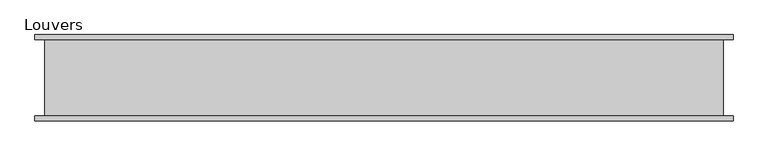
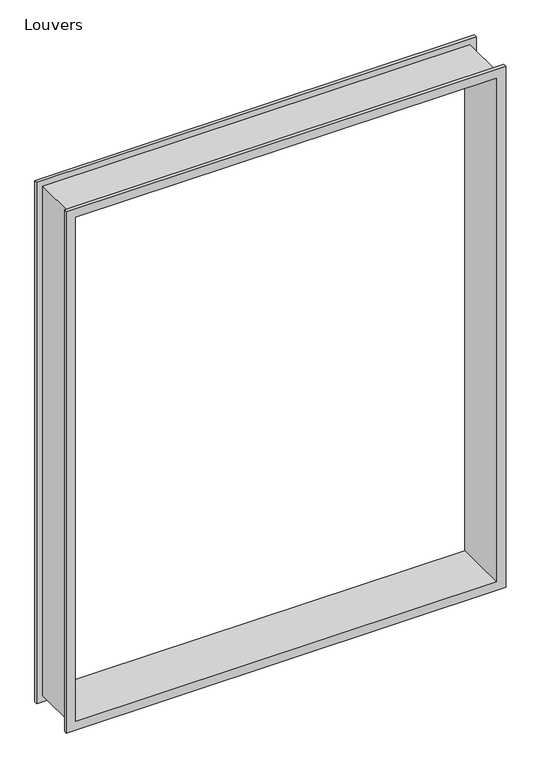
"""IFC4 building model written with IfcOpenShell, lengths in millimetres: proxy geometry, Louvers."""

from ifc_helpers import new_model, si_unit, origin, place, context, project, spatial, faceted_brep, source, transform, mapped, element, save


def louvers_1cde715f(model_context):
    return source(origin(), model_context, "Body", "Brep", [
        faceted_brep([(1057.6893929, -7.7140625, -0.0006), (1057.6893929, 8.7859375, -0.0006), (1057.6893929, 8.7859375, 3047.9944), (1057.6893929, -7.7140625, 3047.9944), (1005.5933929, 292.2859375, 52.0954), (1005.5933929, -7.7140625, 52.0954), (1005.5933929, -7.7140625, 2995.8984), (1005.5933929, 292.2859375, 2995.8984), (1057.6893929, 275.7859375, -0.0006), (1057.6893929, 292.2859375, -0.0006), (1057.6893929, 292.2859375, 3047.9944), (1057.6893929, 275.7859375, 3047.9944), (1022.5933929, 8.7859375, 35.0954), (1022.5933929, 275.7859375, 35.0954), (1022.5933929, 275.7859375, 3012.8984), (1022.5933929, 8.7859375, 3012.8984), (-1374.8550071, 8.7859375, 3047.9944), (-1374.8550071, -7.7140625, 3047.9944), (-1322.7590071, -7.7140625, 2995.8984), (-1322.7590071, 292.2859375, 2995.8984), (-1374.8550071, 292.2859375, 3047.9944), (-1374.8550071, 275.7859375, 3047.9944), (-1339.7590071, 275.7859375, 3012.8984), (-1339.7590071, 8.7859375, 3012.8984), (-1374.8550071, 8.7859375, -0.0006), (-1374.8550071, -7.7140625, -0.0006), (-1322.7590071, -7.7140625, 52.0954), (-1322.7590071, 292.2859375, 52.0954), (-1374.8550071, 292.2859375, -0.0006), (-1374.8550071, 275.7859375, -0.0006), (-1339.7590071, 275.7859375, 35.0954), (-1339.7590071, 8.7859375, 35.0954)], [[[0, 1, 2, 3]], [[4, 5, 6, 7]], [[8, 9, 10, 11]], [[12, 13, 14, 15]], [[3, 2, 16, 17]], [[7, 6, 18, 19]], [[11, 10, 20, 21]], [[15, 14, 22, 23]], [[17, 16, 24, 25]], [[19, 18, 26, 27]], [[21, 20, 28, 29]], [[23, 22, 30, 31]], [[1, 24, 16, 2], [15, 23, 31, 12]], [[25, 24, 1, 0]], [[3, 17, 25, 0], [5, 26, 18, 6]], [[27, 26, 5, 4]], [[9, 28, 20, 10], [7, 19, 27, 4]], [[29, 28, 9, 8]], [[11, 21, 29, 8], [13, 30, 22, 14]], [[31, 30, 13, 12]]]),
    ])


if __name__ == "__main__":
    model = new_model("IFC4")
    model_context = context("Model", 3, world=origin())
    ifc_project = project(units=[si_unit("LENGTHUNIT", "METRE", prefix="MILLI")], contexts=[model_context])
    site = spatial("IfcSite", under=ifc_project)
    building = spatial("IfcBuilding", under=site)
    placement = place(None, origin())
    louvers_shape = louvers_1cde715f(model_context)
    element("IfcBuildingElementProxy", 1, Name="Louvers", ObjectType="Louvers", at=placement, inside=building, context=model_context, shape_type="MappedRepresentation", body=[
        mapped(louvers_shape, transform((0.0, 0.0, 0.0), x_axis=(1.0, 0.0, 0.0), y_axis=(0.0, 1.0, 0.0), z_axis=(0.0, 0.0, 1.0))),
    ])
    save(model, "model.ifc")
